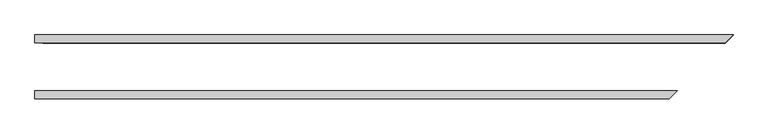
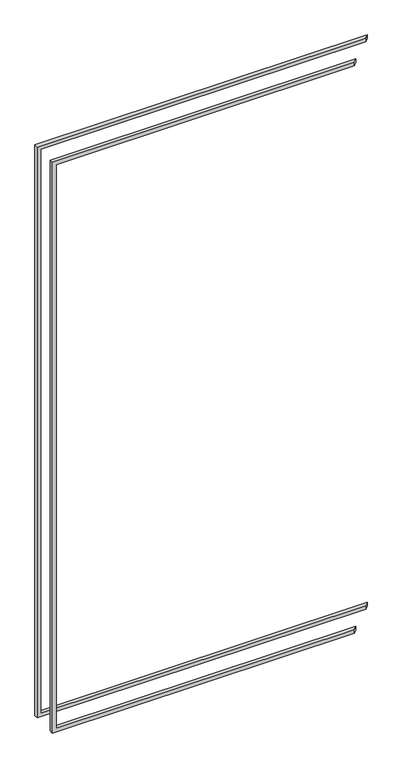
"""IFC4 building model written with IfcOpenShell, lengths in millimetres: proxy geometry."""

from ifc_helpers import new_model, si_unit, origin, place, context, project, spatial, faceted_brep, source, transform, mapped, element, save


def generic_models_e0302524(model_context):
    return source(origin(), model_context, "Body", "Brep", [
        faceted_brep([(-1243.0125, -44.45, 26.9875), (-44.45, -44.45, 26.9875), (-59.53125, -59.53125, 26.9875), (-1243.0125, -59.53125, 26.9875), (-59.53125, -59.53125, 41.275), (-1228.725, -59.53125, 41.275), (-1228.725, -59.53125, 2378.075), (-59.53125, -59.53125, 2378.075), (-59.53125, -59.53125, 2392.3625), (-1243.0125, -59.53125, 2392.3625), (-1243.0125, -44.45, 2392.3625), (-44.45, -44.45, 2392.3625), (-44.45, -44.45, 2378.075), (-1228.725, -44.45, 2378.075), (-1228.725, -44.45, 41.275), (-44.45, -44.45, 41.275)], [[[0, 1, 2, 3]], [[2, 4, 5, 6, 7, 8, 9, 3]], [[10, 0, 3, 9]], [[0, 10, 11, 12, 13, 14, 15, 1]], [[6, 5, 14, 13]], [[9, 8, 11, 10]], [[4, 15, 14, 5]], [[4, 2, 1, 15]], [[12, 7, 6, 13]], [[8, 7, 12, 11]]]),
        faceted_brep([(-1243.0125, 59.53125, 26.9875), (59.53125, 59.53125, 26.9875), (44.45, 44.45, 26.9875), (-1243.0125, 44.45, 26.9875), (-1228.725, 44.45, 2378.075), (-1228.725, 44.45, 41.275), (-1228.725, 59.53125, 41.275), (-1228.725, 59.53125, 2378.075), (-1243.0125, 44.45, 2392.3625), (44.45, 44.45, 2392.3625), (59.53125, 59.53125, 2392.3625), (-1243.0125, 59.53125, 2392.3625), (44.45, 44.45, 41.275), (44.45, 44.45, 2378.075), (59.53125, 59.53125, 2378.075), (59.53125, 59.53125, 41.275)], [[[0, 1, 2, 3]], [[4, 5, 6, 7]], [[8, 9, 10, 11]], [[2, 12, 5, 4, 13, 9, 8, 3]], [[11, 0, 3, 8]], [[0, 11, 10, 14, 7, 6, 15, 1]], [[12, 15, 6, 5]], [[12, 2, 1, 15]], [[13, 4, 7, 14]], [[9, 13, 14, 10]]]),
    ])


if __name__ == "__main__":
    model = new_model("IFC4")
    model_context = context("Model", 3, world=origin())
    ifc_project = project(units=[si_unit("LENGTHUNIT", "METRE", prefix="MILLI")], contexts=[model_context])
    site = spatial("IfcSite", under=ifc_project)
    building = spatial("IfcBuilding", under=site)
    placement = place(None, origin())
    generic_models_shape = generic_models_e0302524(model_context)
    element("IfcBuildingElementProxy", 1, Name="Generic Models", at=placement, inside=building, context=model_context, shape_type="MappedRepresentation", body=[
        mapped(generic_models_shape, transform((0.0, 0.0, 0.0), x_axis=(1.0, 0.0, 0.0), y_axis=(0.0, 1.0, 0.0), z_axis=(0.0, 0.0, 1.0))),
    ])
    save(model, "model.ifc")
